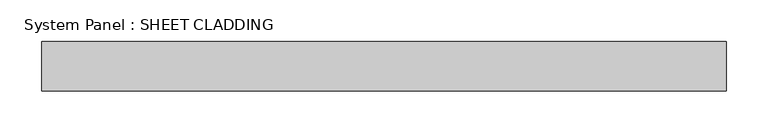
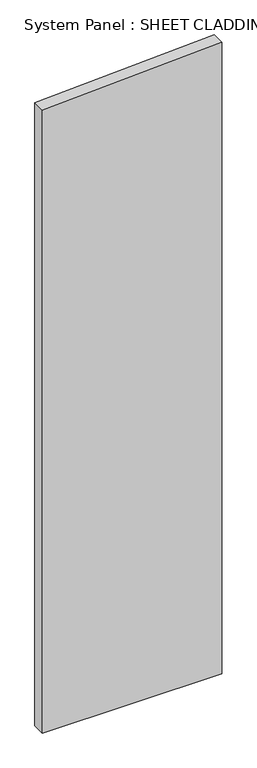
"""IFC4 building model written with IfcOpenShell, lengths in millimetres: plate geometry, System Panel : SHEET CLADDING."""

from ifc_helpers import new_model, si_unit, frame, origin, place, context, project, spatial, polyline, outline, extrude, source, transform, mapped, element, save


def system_panel_sheet_cladding_ec5b8ca0(model_context):
    return source(origin(), model_context, "Body", "SweptSolid", [
        extrude(outline(polyline([(0.0, -412.5), (0.0, 412.5), (3072.6, 412.5), (3031.35, -412.5), (0.0, -412.5)])), frame((0.0, -49.5, 0.0), z_axis=(0.0, 1.0, 0.0), x_axis=(0.0, 0.0, 1.0)), (0.0, 0.0, 1.0), 60.0),
    ])


if __name__ == "__main__":
    model = new_model("IFC4")
    model_context = context("Model", 3, world=origin())
    ifc_project = project(units=[si_unit("LENGTHUNIT", "METRE", prefix="MILLI")], contexts=[model_context])
    site = spatial("IfcSite", under=ifc_project)
    building = spatial("IfcBuilding", under=site)
    placement = place(None, origin())
    system_panel_sheet_cladding_shape = system_panel_sheet_cladding_ec5b8ca0(model_context)
    element("IfcPlate", 1, ObjectType="System Panel : SHEET CLADDING", at=placement, inside=building, context=model_context, shape_type="MappedRepresentation", body=[
        mapped(system_panel_sheet_cladding_shape, transform((0.0, 0.0, 0.0), x_axis=(1.0, 0.0, 0.0), y_axis=(0.0, 1.0, 0.0), z_axis=(0.0, 0.0, 1.0))),
    ])
    save(model, "model.ifc")
